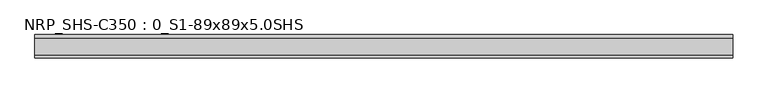
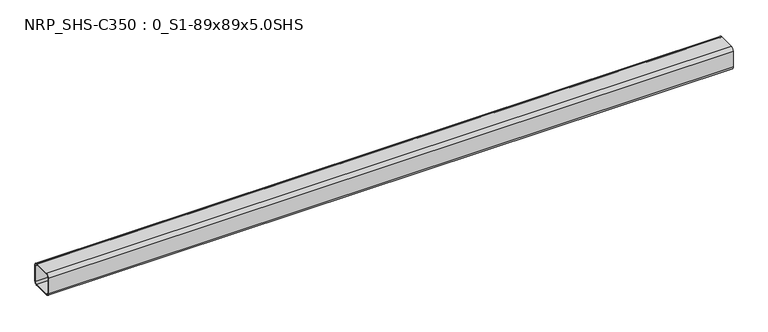
"""IFC4 building model written with IfcOpenShell, lengths in millimetres: beam geometry, NRP_SHS-C350 : 0_S1-89x89x5.0SHS."""

from ifc_helpers import new_model, si_unit, point, frame, frame_2d, origin, place, context, project, spatial, polyline, circle_curve, trimmed, segment, composite_curve, outline, extrude, source, transform, mapped, element, save


def nrp_shs_c350_0_s1_89x89x5_0shs_a89acc6a(model_context):
    return source(origin(), model_context, "Body", "SweptSolid", [
        extrude(outline(composite_curve([segment(polyline([(44.5, 32.0), (44.5, -32.0)]), True, "CONTINUOUS"), segment(trimmed(circle_curve(frame_2d((32.0, -32.0)), 12.5), [point((44.5, -32.0))], [point((32.0, -44.5))], False, "CARTESIAN"), True, "CONTINUOUS"), segment(polyline([(32.0, -44.5), (-32.0, -44.5)]), True, "CONTINUOUS"), segment(trimmed(circle_curve(frame_2d((-32.0, -32.0)), 12.5), [point((-32.0, -44.5))], [point((-44.5, -32.0))], False, "CARTESIAN"), True, "CONTINUOUS"), segment(polyline([(-44.5, -32.0), (-44.5, 32.0)]), True, "CONTINUOUS"), segment(trimmed(circle_curve(frame_2d((-32.0, 32.0)), 12.5), [point((-44.5, 32.0))], [point((-32.0, 44.5))], False, "CARTESIAN"), True, "CONTINUOUS"), segment(polyline([(-32.0, 44.5), (32.0, 44.5)]), True, "CONTINUOUS"), segment(trimmed(circle_curve(frame_2d((32.0, 32.0)), 12.5), [point((32.0, 44.5))], [point((44.5, 32.0))], False, "CARTESIAN"), True, "CONTINUOUS")], self_intersect=False), holes=[composite_curve([segment(trimmed(circle_curve(frame_2d((-32.0, 32.0)), 7.5), [point((-32.0, 39.5))], [point((-39.5, 32.0))], True, "CARTESIAN"), True, "CONTINUOUS"), segment(polyline([(-39.5, 32.0), (-39.5, -32.0)]), True, "CONTINUOUS"), segment(trimmed(circle_curve(frame_2d((-32.0, -32.0)), 7.5), [point((-39.5, -32.0))], [point((-32.0, -39.5))], True, "CARTESIAN"), True, "CONTINUOUS"), segment(polyline([(-32.0, -39.5), (32.0, -39.5)]), True, "CONTINUOUS"), segment(trimmed(circle_curve(frame_2d((32.0, -32.0)), 7.5), [point((32.0, -39.5))], [point((39.5, -32.0))], True, "CARTESIAN"), True, "CONTINUOUS"), segment(polyline([(39.5, -32.0), (39.5, 32.0)]), True, "CONTINUOUS"), segment(trimmed(circle_curve(frame_2d((32.0, 32.0)), 7.5), [point((39.5, 32.0))], [point((32.0, 39.5))], True, "CARTESIAN"), True, "CONTINUOUS"), segment(polyline([(32.0, 39.5), (-32.0, 39.5)]), True, "CONTINUOUS")], self_intersect=False)]), frame((-1320.5, 0.0, 0.0), z_axis=(1.0, 0.0, 0.0), x_axis=(0.0, 1.0, 0.0)), (0.0, 0.0, 1.0), 2636.0),
    ])


if __name__ == "__main__":
    model = new_model("IFC4")
    model_context = context("Model", 3, world=origin())
    ifc_project = project(units=[si_unit("LENGTHUNIT", "METRE", prefix="MILLI")], contexts=[model_context])
    site = spatial("IfcSite", under=ifc_project)
    building = spatial("IfcBuilding", under=site)
    placement = place(None, origin())
    nrp_shs_c350_0_s1_89x89x5_0shs_shape = nrp_shs_c350_0_s1_89x89x5_0shs_a89acc6a(model_context)
    element("IfcBeam", 1, ObjectType="NRP_SHS-C350 : 0_S1-89x89x5.0SHS", at=placement, inside=building, context=model_context, shape_type="MappedRepresentation", body=[
        mapped(nrp_shs_c350_0_s1_89x89x5_0shs_shape, transform((0.0, 0.0, 0.0), x_axis=(1.0, 0.0, 0.0), y_axis=(0.0, 1.0, 0.0), z_axis=(0.0, 0.0, 1.0))),
    ])
    save(model, "model.ifc")
